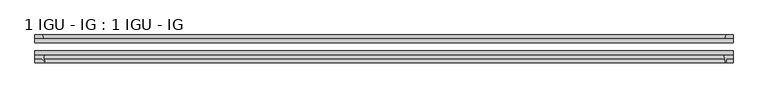
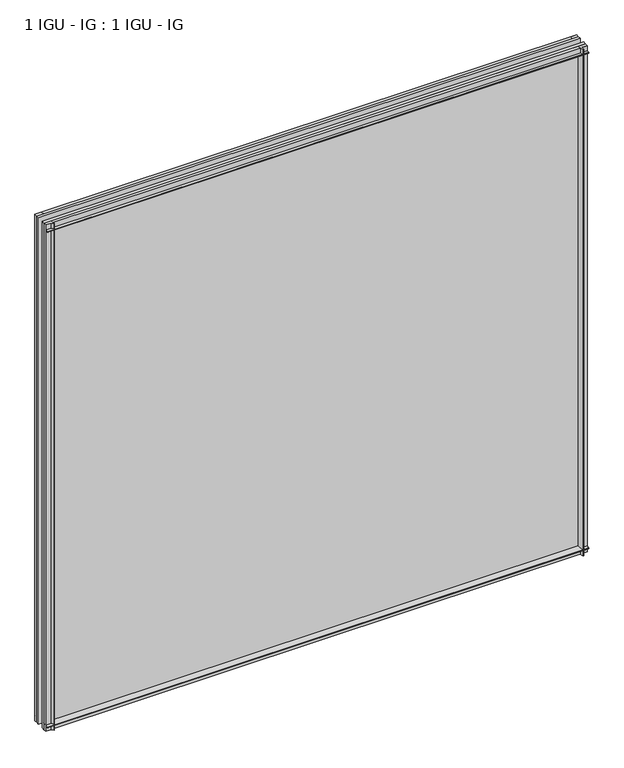
"""IFC4 building model written with IfcOpenShell, lengths in millimetres: plate geometry, 1 IGU - IG : 1 IGU - IG."""

from ifc_helpers import new_model, si_unit, point, frame, frame_2d, origin, place, context, project, spatial, polyline, circle_curve, trimmed, segment, composite_curve, outline, extrude, source, transform, mapped, element, save


def plate_1_igu_ig_1_igu_ig_b885f172(model_context):
    return source(origin(), model_context, "Body", "SweptSolid", [
        extrude(outline(polyline([(538.1625, -31.75), (538.1625, -38.1), (-576.2625, -38.1), (-576.2625, -31.75), (538.1625, -31.75)])), frame((0.0, 0.0, -11.1125), z_axis=(0.0, 0.0, 1.0), x_axis=(1.0, 0.0, 0.0)), (0.0, 0.0, 1.0), 1101.725),
        extrude(outline(polyline([(-576.2625, -12.7), (538.1625, -12.7), (538.1625, -19.05), (-576.2625, -19.05), (-576.2625, -12.7)])), frame((0.0, 0.0, -11.1125), z_axis=(0.0, 0.0, 1.0), x_axis=(1.0, 0.0, 0.0)), (0.0, 0.0, 1.0), 1101.725),
        extrude(outline(polyline([(-562.2035601, -12.7), (-576.2625, -12.7), (-576.2625, -6.35), (-564.3088372, -6.35), (-562.2035601, -12.7)])), frame((0.0, 0.0, -11.1125), z_axis=(0.0, 0.0, 1.0), x_axis=(1.0, 0.0, 0.0)), (0.0, 0.0, 1.0), 1101.725),
        extrude(outline(composite_curve([segment(trimmed(circle_curve(frame_2d((-553.4114011, -42.5735189)), 8.7187667), [point((-560.895018, -38.1))], [point((-560.4113071, -47.7714232))], True, "CARTESIAN"), True, "CONTINUOUS"), segment(trimmed(circle_curve(frame_2d((-561.0230826, -48.225708)), 0.762), [point((-560.4113071, -47.7714232))], [point((-560.6892906, -48.9107094))], False, "CARTESIAN"), True, "CONTINUOUS"), segment(polyline([(-560.6892906, -48.9107094), (-565.15, -44.45), (-576.2625, -44.45), (-576.2625, -38.1), (-560.895018, -38.1)]), True, "CONTINUOUS")], self_intersect=False)), frame((0.0, 0.0, -11.1125), z_axis=(0.0, 0.0, 1.0), x_axis=(1.0, 0.0, 0.0)), (0.0, 0.0, 1.0), 1101.725),
        extrude(outline(polyline([(538.1625, -12.7), (524.9447229, -12.7), (527.05, -6.35), (538.1625, -6.35), (538.1625, -12.7)])), frame((0.0, 0.0, -11.1125), z_axis=(0.0, 0.0, 1.0), x_axis=(1.0, 0.0, 0.0)), (0.0, 0.0, 1.0), 1101.725),
        extrude(outline(composite_curve([segment(polyline([(522.8688207, -38.1), (538.1625, -38.1), (538.1625, -44.45), (527.05, -44.45), (527.05, -50.8), (526.1300991, -50.8)]), True, "CONTINUOUS"), segment(trimmed(circle_curve(frame_2d((526.1300991, -50.038)), 0.762), [point((526.1300991, -50.8))], [point((525.3700572, -50.0925922))], False, "CARTESIAN"), True, "CONTINUOUS"), segment(trimmed(circle_curve(frame_2d((479.6098044, -53.3794536)), 45.8781451), [point((525.3700572, -50.0925922))], [point((522.8688207, -38.1))], True, "CARTESIAN"), True, "CONTINUOUS")], self_intersect=False)), frame((0.0, 0.0, -11.1125), z_axis=(0.0, 0.0, 1.0), x_axis=(1.0, 0.0, 0.0)), (0.0, 0.0, 1.0), 1101.725),
        extrude(outline(polyline([(-12.7, -11.1125), (-12.7, 2.1052771), (-6.35, 0.0), (-6.35, -11.1125), (-12.7, -11.1125)])), frame((-576.2625, 0.0, 0.0), z_axis=(1.0, 0.0, 0.0), x_axis=(0.0, 1.0, 0.0)), (0.0, 0.0, 1.0), 1114.425),
        extrude(outline(composite_curve([segment(polyline([(-38.1, 4.1811793), (-38.1, -11.1125), (-44.45, -11.1125), (-44.45, 0.0), (-50.8, 0.0), (-50.8, 0.9199009)]), True, "CONTINUOUS"), segment(trimmed(circle_curve(frame_2d((-50.038, 0.9199009)), 0.762), [point((-50.8, 0.9199009))], [point((-50.0925922, 1.6799428))], False, "CARTESIAN"), True, "CONTINUOUS"), segment(trimmed(circle_curve(frame_2d((-53.3794536, 47.4401956)), 45.8781451), [point((-50.0925922, 1.6799428))], [point((-38.1, 4.1811793))], True, "CARTESIAN"), True, "CONTINUOUS")], self_intersect=False)), frame((-576.2625, 0.0, 0.0), z_axis=(1.0, 0.0, 0.0), x_axis=(0.0, 1.0, 0.0)), (0.0, 0.0, 1.0), 1114.425),
        extrude(outline(polyline([(-6.35, 1079.5), (-12.7, 1077.3947229), (-12.7, 1090.6125), (-6.35, 1090.6125), (-6.35, 1079.5)])), frame((-576.2625, 0.0, 0.0), z_axis=(1.0, 0.0, 0.0), x_axis=(0.0, 1.0, 0.0)), (0.0, 0.0, 1.0), 1114.425),
        extrude(outline(composite_curve([segment(polyline([(-38.1, 1090.6125), (-38.1, 1075.3188207)]), True, "CONTINUOUS"), segment(trimmed(circle_curve(frame_2d((-53.3794536, 1032.0598044)), 45.8781451), [point((-38.1, 1075.3188207))], [point((-50.0925922, 1077.8200572))], True, "CARTESIAN"), True, "CONTINUOUS"), segment(trimmed(circle_curve(frame_2d((-50.038, 1078.5800991)), 0.762), [point((-50.0925922, 1077.8200572))], [point((-50.8, 1078.5800991))], False, "CARTESIAN"), True, "CONTINUOUS"), segment(polyline([(-50.8, 1078.5800991), (-50.8, 1079.5), (-44.45, 1079.5), (-44.45, 1090.6125), (-38.1, 1090.6125)]), True, "CONTINUOUS")], self_intersect=False)), frame((-576.2625, 0.0, 0.0), z_axis=(1.0, 0.0, 0.0), x_axis=(0.0, 1.0, 0.0)), (0.0, 0.0, 1.0), 1114.425),
    ])


if __name__ == "__main__":
    model = new_model("IFC4")
    model_context = context("Model", 3, world=origin())
    ifc_project = project(units=[si_unit("LENGTHUNIT", "METRE", prefix="MILLI")], contexts=[model_context])
    site = spatial("IfcSite", under=ifc_project)
    building = spatial("IfcBuilding", under=site)
    placement = place(None, origin())
    plate_1_igu_ig_1_igu_ig_shape = plate_1_igu_ig_1_igu_ig_b885f172(model_context)
    element("IfcPlate", 1, ObjectType="1 IGU - IG : 1 IGU - IG", at=placement, inside=building, context=model_context, shape_type="MappedRepresentation", body=[
        mapped(plate_1_igu_ig_1_igu_ig_shape, transform((0.0, 0.0, 0.0), x_axis=(1.0, 0.0, 0.0), y_axis=(0.0, 1.0, 0.0), z_axis=(0.0, 0.0, 1.0))),
    ])
    save(model, "model.ifc")
